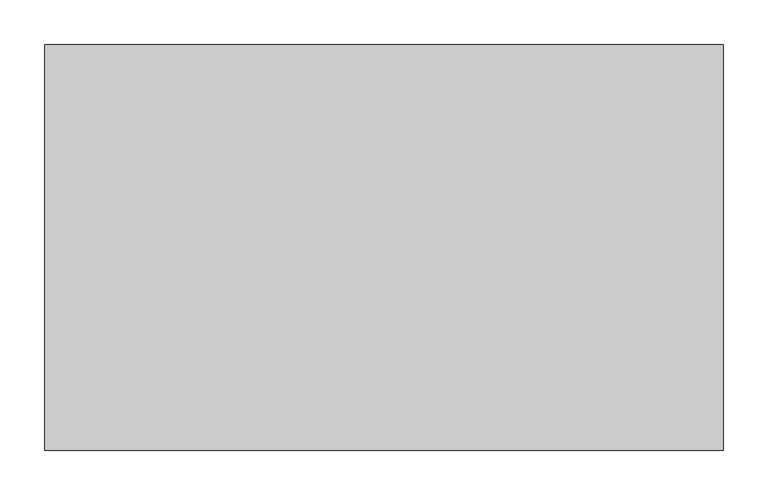
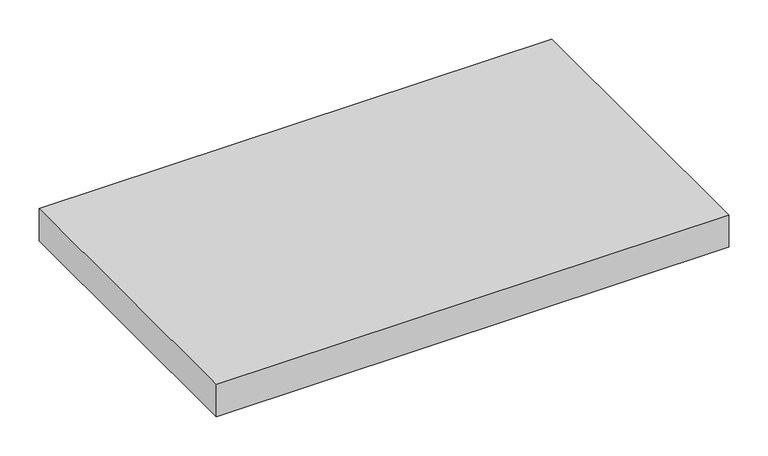
"""IFC4 building model written with IfcOpenShell, lengths in millimetres: furniture geometry."""

from ifc_helpers import new_model, si_unit, frame, origin, place, context, project, spatial, polyline, outline, extrude, source, transform, mapped, element, save


def furniture_eb5e6fba(model_context):
    return source(origin(), model_context, "Body", "SweptSolid", [
        extrude(outline(polyline([(758.825, -454.025), (0.0, -454.025), (0.0, 0.0), (758.825, 0.0), (758.825, -454.025)])), frame((0.0, 0.0, 403.225), z_axis=(0.0, 0.0, 1.0), x_axis=(1.0, 0.0, 0.0)), (0.0, 0.0, 1.0), 50.8),
    ])


if __name__ == "__main__":
    model = new_model("IFC4")
    model_context = context("Model", 3, world=origin())
    ifc_project = project(units=[si_unit("LENGTHUNIT", "METRE", prefix="MILLI")], contexts=[model_context])
    site = spatial("IfcSite", under=ifc_project)
    building = spatial("IfcBuilding", under=site)
    placement = place(None, origin())
    furniture_shape = furniture_eb5e6fba(model_context)
    element("IfcFurniture", 1, at=placement, inside=building, context=model_context, shape_type="MappedRepresentation", body=[
        mapped(furniture_shape, transform((0.0, 0.0, 0.0), x_axis=(1.0, 0.0, 0.0), y_axis=(0.0, 1.0, 0.0), z_axis=(0.0, 0.0, 1.0))),
    ])
    save(model, "model.ifc")
